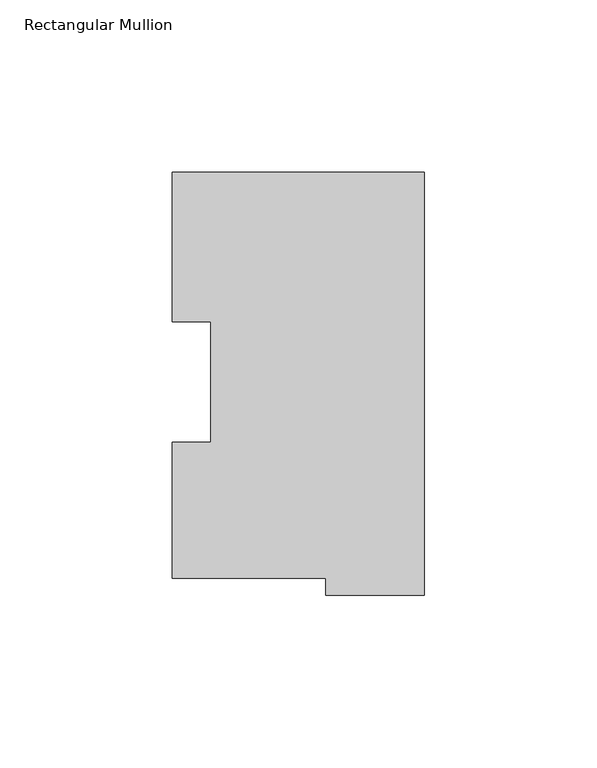
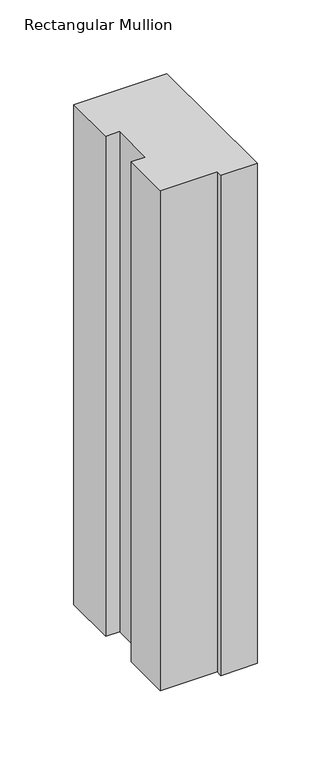
"""IFC4 building model written with IfcOpenShell, lengths in millimetres: member geometry, Rectangular Mullion."""

from ifc_helpers import new_model, si_unit, frame, origin, place, context, project, spatial, polyline, outline, extrude, source, transform, mapped, element, save


def rectangular_mullion_9e21c240(model_context):
    return source(origin(), model_context, "Body", "SweptSolid", [
        extrude(outline(polyline([(-73.025, 117.827425), (0.0, 117.827425), (0.0, -4.778375), (-28.575, -4.778375), (-28.575, 0.225425), (-73.025, 0.225425), (-73.025, 39.646225), (-61.9252, 39.646225), (-61.9252, 74.596625), (-73.025, 74.596625), (-73.025, 117.827425)])), frame((0.0, 0.0, -414.3375), z_axis=(0.0, 0.0, 1.0), x_axis=(1.0, 0.0, 0.0)), (0.0, 0.0, 1.0), 414.3375),
    ])


if __name__ == "__main__":
    model = new_model("IFC4")
    model_context = context("Model", 3, world=origin())
    ifc_project = project(units=[si_unit("LENGTHUNIT", "METRE", prefix="MILLI")], contexts=[model_context])
    site = spatial("IfcSite", under=ifc_project)
    building = spatial("IfcBuilding", under=site)
    placement = place(None, origin())
    rectangular_mullion_shape = rectangular_mullion_9e21c240(model_context)
    element("IfcMember", 1, ObjectType="Rectangular Mullion", at=placement, inside=building, context=model_context, shape_type="MappedRepresentation", body=[
        mapped(rectangular_mullion_shape, transform((0.0, 0.0, 0.0), x_axis=(1.0, 0.0, 0.0), y_axis=(0.0, 1.0, 0.0), z_axis=(0.0, 0.0, 1.0))),
    ])
    save(model, "model.ifc")
